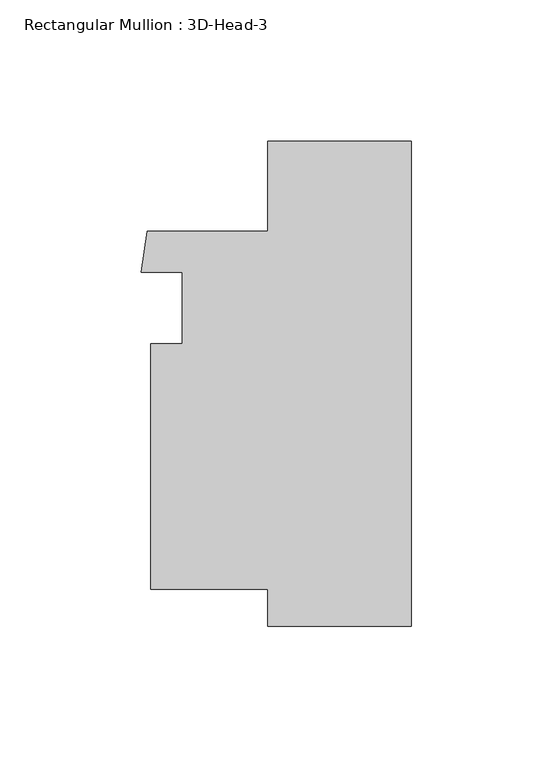
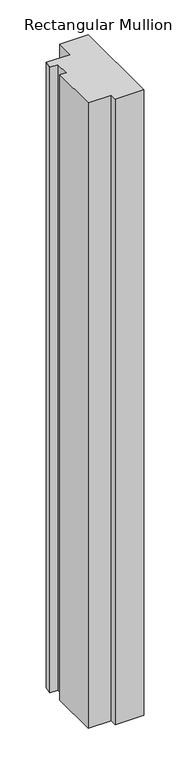
"""IFC4 building model written with IfcOpenShell, lengths in millimetres: member geometry, Rectangular Mullion : 3D-Head-3."""

from ifc_helpers import new_model, si_unit, frame, origin, place, context, project, spatial, polyline, outline, extrude, source, transform, mapped, element, save


def rectangular_mullion_3d_head_3_c4ff5713(model_context):
    return source(origin(), model_context, "Body", "SweptSolid", [
        extrude(outline(polyline([(-50.7999996, 85.7249999), (0.0, 85.7249999), (0.0, -85.7249999), (-50.8322656, -85.7249999), (-50.8322656, -72.769969), (-92.0749997, -72.769969), (-92.0749997, 14.0725059), (-80.9624997, 14.0725059), (-80.9624997, 39.4715716), (-95.4711321, 39.4715716), (-93.415382, 53.976031), (-50.7999996, 53.976031), (-50.7999996, 85.7249999)])), frame((0.0, 0.0, -1181.1), z_axis=(0.0, 0.0, 1.0), x_axis=(1.0, 0.0, 0.0)), (0.0, 0.0, 1.0), 1181.1),
    ])


if __name__ == "__main__":
    model = new_model("IFC4")
    model_context = context("Model", 3, world=origin())
    ifc_project = project(units=[si_unit("LENGTHUNIT", "METRE", prefix="MILLI")], contexts=[model_context])
    site = spatial("IfcSite", under=ifc_project)
    building = spatial("IfcBuilding", under=site)
    placement = place(None, origin())
    rectangular_mullion_3d_head_3_shape = rectangular_mullion_3d_head_3_c4ff5713(model_context)
    element("IfcMember", 1, ObjectType="Rectangular Mullion : 3D-Head-3", at=placement, inside=building, context=model_context, shape_type="MappedRepresentation", body=[
        mapped(rectangular_mullion_3d_head_3_shape, transform((0.0, 0.0, 0.0), x_axis=(1.0, 0.0, 0.0), y_axis=(0.0, 1.0, 0.0), z_axis=(0.0, 0.0, 1.0))),
    ])
    save(model, "model.ifc")
